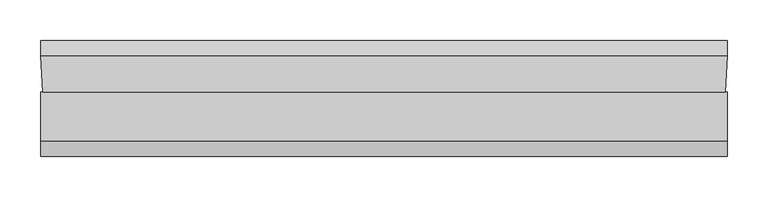
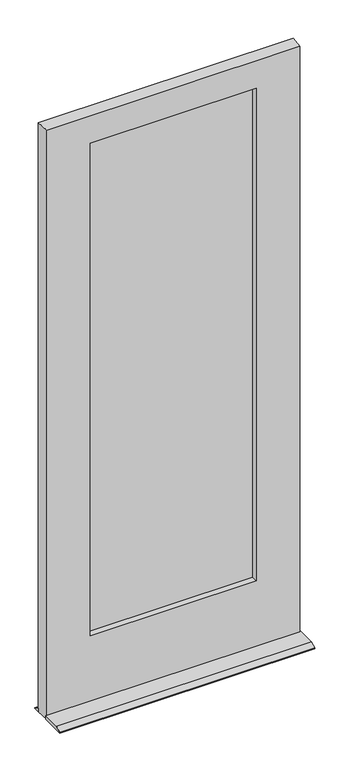
"""IFC4 building model written with IfcOpenShell, lengths in millimetres: plate geometry."""

from ifc_helpers import new_model, si_unit, frame, origin, place, context, project, spatial, polyline, outline, extrude, faceted_brep, source, transform, mapped, element, save


def plate_bcf7fe72(model_context):
    return source(origin(), model_context, "Body", "SolidModel", [
        extrude(outline(polyline([(-290.4940057, -16.3742688), (-290.4940057, -13.1992688), (290.5124637, -13.1992688), (290.5124637, -16.3742688), (-290.4940057, -16.3742688)])), frame((0.0, 0.0, 226.615625), z_axis=(0.0, 0.0, 1.0), x_axis=(1.0, 0.0, 0.0)), (0.0, 0.0, 1.0), 1758.553125),
        extrude(outline(polyline([(-290.4940057, -20.9383312), (290.5124637, -20.9383312), (290.5124637, -24.1133312), (-290.4940057, -24.1133312), (-290.4940057, -20.9383312)])), frame((0.0, 0.0, 226.615625), z_axis=(0.0, 0.0, 1.0), x_axis=(1.0, 0.0, 0.0)), (0.0, 0.0, 1.0), 1758.553125),
        faceted_brep([(423.0687863, -46.037564, 12.7), (423.0687863, -106.3618913, 12.7), (423.0687863, -125.4125, 3.1746956), (423.0687863, -125.4125, 0.0003044), (423.0687863, -46.037564, 0.0003044), (423.0687863, 17.4625, 0.0003044), (423.0687863, 17.4625, 3.1746956), (423.0687863, -1.587564, 12.6997276), (423.0687863, -1.587564, 0.0003044), (-423.0452447, -1.587564, 12.6997276), (-423.0452447, 17.4625, 3.1746956), (-423.0452447, 17.4625, 0.0003044), (-423.0452447, -1.587564, 0.0003044), (-423.0452447, -125.4125, 0.0003044), (-423.0452447, -125.4125, 3.1746956), (-423.0452447, -106.3618913, 12.7), (-423.0452447, -46.037564, 12.7), (-423.0452447, -46.037564, 0.0003044), (290.5124637, -24.1133312, 226.615625), (290.5124637, -13.1992688, 226.615625), (-290.4940057, -13.1992688, 226.615625), (-290.4940057, -24.1133312, 226.615625), (290.5124637, -24.1133313, 1985.16875), (-290.4940057, -24.1133313, 1985.16875), (275.4443125, -24.1133312, 241.2869956), (275.4443125, -24.1133313, 1970.1002), (-275.4185057, -24.1133313, 1970.1002), (-275.4185057, -24.1133312, 241.2869956), (275.4443125, -46.037564, 241.2869956), (-275.4185057, -46.037564, 241.2869956), (420.3001863, -46.037564, 12.7), (420.3001863, -46.037564, 2067.71875), (-420.2766447, -46.037564, 2067.71875), (-420.2766447, -46.037564, 12.7), (275.4443125, -46.037564, 1970.1002), (-275.4185057, -46.037564, 1970.1002), (-420.2766447, -46.037564, 0.0003044), (420.3001863, -46.037564, 0.0003044), (423.0687863, -1.587564, 2067.71875), (-423.0452447, -1.587564, 2067.71875), (270.66875, -1.587564, 246.0621956), (270.66875, -1.587564, 1965.325), (-270.66875, -1.587564, 1965.325), (-270.66875, -1.587564, 246.0621956), (270.66875, -13.1992688, 246.0621956), (-270.66875, -13.1992688, 246.0621956), (290.5124637, -13.1992688, 1985.16875), (-290.4940057, -13.1992688, 1985.16875), (270.66875, -13.1992688, 1965.325), (-270.66875, -13.1992688, 1965.325)], [[[0, 1, 2, 3, 4]], [[5, 6, 7, 8]], [[9, 10, 11, 12]], [[13, 14, 15, 16, 17]], [[18, 19, 20, 21]], [[22, 18, 21, 23], [24, 25, 26, 27]], [[28, 24, 27, 29]], [[30, 31, 32, 33], [34, 28, 29, 35]], [[1, 0, 30, 33, 16, 15]], [[2, 1, 15, 14]], [[3, 2, 14, 13]], [[3, 13, 17, 36, 12, 11, 5, 8, 37, 4]], [[6, 5, 11, 10]], [[7, 6, 10, 9]], [[38, 7, 9, 39], [40, 41, 42, 43]], [[44, 40, 43, 45]], [[19, 46, 47, 20], [48, 44, 45, 49]], [[35, 29, 27, 26]], [[21, 20, 47, 23]], [[49, 45, 43, 42]], [[40, 44, 48, 41]], [[19, 18, 22, 46]], [[24, 28, 34, 25]], [[41, 48, 49, 42]], [[46, 22, 23, 47]], [[25, 34, 35, 26]], [[32, 39, 9, 12, 36, 33]], [[30, 37, 8, 7, 38, 31]], [[31, 38, 39, 32]], [[37, 30, 0, 4]], [[33, 36, 17, 16]]]),
    ])


if __name__ == "__main__":
    model = new_model("IFC4")
    model_context = context("Model", 3, world=origin())
    ifc_project = project(units=[si_unit("LENGTHUNIT", "METRE", prefix="MILLI")], contexts=[model_context])
    site = spatial("IfcSite", under=ifc_project)
    building = spatial("IfcBuilding", under=site)
    placement = place(None, origin())
    plate_shape = plate_bcf7fe72(model_context)
    element("IfcPlate", 1, at=placement, inside=building, context=model_context, shape_type="MappedRepresentation", body=[
        mapped(plate_shape, transform((0.0, 0.0, 0.0), x_axis=(1.0, 0.0, 0.0), y_axis=(0.0, 1.0, 0.0), z_axis=(0.0, 0.0, 1.0))),
    ])
    save(model, "model.ifc")
